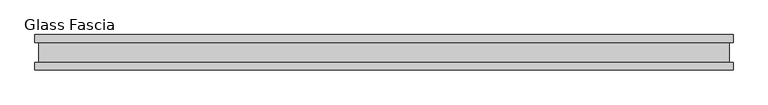
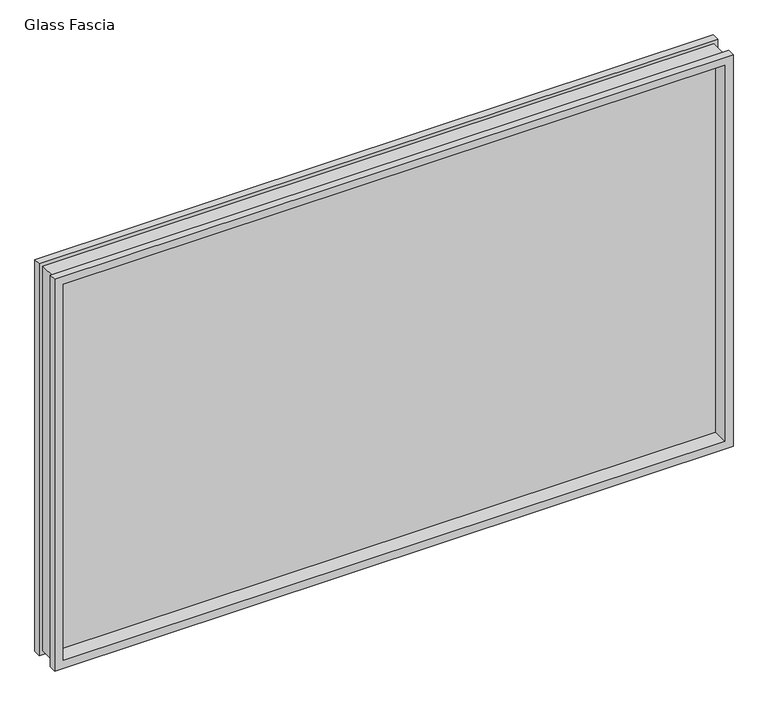
"""IFC4 building model written with IfcOpenShell, lengths in millimetres: proxy geometry, Glass Fascia."""

import ifcopenshell
import ifcopenshell.guid

model = None  # the IFC model being written
_history = None  # IfcOwnerHistory: only IFC2X3 demands one
_inside = {}  # id of a spatial element -> (the spatial element, [elements in it])
_under = {}  # id of a project, library or spatial element -> (it, [spatial elements below it])
_declared = {}  # id of a project -> (the project, [libraries it declares])
_typed = {}  # id of a type object -> (the type object, [elements of that type])
_made_of = {}  # id of a material, layer set ... -> (it, [elements and type objects made of it])


def new_model(schema):
    """Start an empty IFC model of exactly this schema.

    Asked for "IFC4X3", IfcOpenShell would pick the latest addendum, in which some entities
    have other attributes; the version numbers below select the first issue.
    IFC2X3 requires an IfcOwnerHistory on every rooted entity: one is made here for all.
    """
    global model, _history
    if schema == "IFC4X3":
        model = ifcopenshell.file(schema_version=(4, 3, 0, 0))
    else:
        model = ifcopenshell.file(schema=schema)
    _inside.clear()
    _under.clear()
    _declared.clear()
    _typed.clear()
    _made_of.clear()
    _history = None
    if model.schema == "IFC2X3":
        org = make("IfcOrganization", Name="unknown")
        user = make(
            "IfcPersonAndOrganization",
            ThePerson=make("IfcPerson", FamilyName="unknown"),
            TheOrganization=org,
        )
        app = make(
            "IfcApplication",
            ApplicationDeveloper=org,
            Version="unknown",
            ApplicationFullName="unknown",
            ApplicationIdentifier="unknown",
        )
        _history = make(
            "IfcOwnerHistory",
            OwningUser=user,
            OwningApplication=app,
            ChangeAction="ADDED",
            CreationDate=0,
        )
    return model


def make(cls, **values):
    """One entity of the class cls with the attributes given. An attribute that is None is left unset."""
    return model.create_entity(
        cls, **{name: value for name, value in values.items() if value is not None}
    )


def rooted(cls, **values):
    """An entity with a GlobalId (a new one), such as an element, a storey or a relation."""
    return make(cls, GlobalId=ifcopenshell.guid.new(), OwnerHistory=_history, **values)


def si_unit(unit_type, name, prefix=None):
    """IfcSIUnit, for example si_unit("LENGTHUNIT", "METRE", prefix="MILLI")."""
    return make("IfcSIUnit", UnitType=unit_type, Prefix=prefix, Name=name)


def assignment(units):
    """IfcUnitAssignment: the units of a project."""
    return None if units is None else make("IfcUnitAssignment", Units=units)


def point(xyz):
    """IfcCartesianPoint."""
    return None if xyz is None else make("IfcCartesianPoint", Coordinates=xyz)


def direction(xyz):
    """IfcDirection."""
    return None if xyz is None else make("IfcDirection", DirectionRatios=xyz)


def frame(location, z_axis=None, x_axis=None):
    """IfcAxis2Placement3D, a coordinate frame: its origin and axes. An axis left out is left unset."""
    return make(
        "IfcAxis2Placement3D",
        Location=point(location),
        Axis=direction(z_axis),
        RefDirection=direction(x_axis),
    )


def origin():
    """The frame at (0, 0, 0) with its axes left unset."""
    return frame((0.0, 0.0, 0.0))


def place(relative_to, where):
    """IfcLocalPlacement: puts the frame where relative to a parent placement (None: the world)."""
    return make(
        "IfcLocalPlacement", PlacementRelTo=relative_to, RelativePlacement=where
    )


def context(
    kind, dimensions, precision=None, world=None, true_north=None, identifier=None
):
    """IfcGeometricRepresentationContext, for example the 3D "Model" context."""
    return make(
        "IfcGeometricRepresentationContext",
        ContextIdentifier=identifier,
        ContextType=kind,
        CoordinateSpaceDimension=dimensions,
        Precision=precision,
        WorldCoordinateSystem=world,
        TrueNorth=true_north,
    )


def project(units=None, contexts=None):
    """IfcProject with its units and contexts."""
    return rooted(
        "IfcProject",
        Name="project",
        RepresentationContexts=contexts,
        UnitsInContext=assignment(units),
    )


def spatial(cls, under=None, at=None, **own):
    """A site, building, storey or space (cls), placed at a placement, below another one or the project."""
    s = rooted(cls, ObjectPlacement=at, **own)
    if under is not None:
        _under.setdefault(under.id(), (under, []))[1].append(s)
    return s


def polyline(points):
    """IfcPolyline through the points."""
    return make("IfcPolyline", Points=[point(p) for p in points])


def outline(outer, holes=None, kind="AREA"):
    """IfcArbitraryClosedProfileDef: a profile drawn as a closed curve; with holes, ...WithVoids."""
    if holes is None:
        return make("IfcArbitraryClosedProfileDef", ProfileType=kind, OuterCurve=outer)
    return make(
        "IfcArbitraryProfileDefWithVoids",
        ProfileType=kind,
        OuterCurve=outer,
        InnerCurves=holes,
    )


def extrude(swept, where, along, depth):
    """IfcExtrudedAreaSolid: the profile swept, set in the frame where, extruded along a direction by depth."""
    return make(
        "IfcExtrudedAreaSolid",
        SweptArea=swept,
        Position=where,
        ExtrudedDirection=direction(along),
        Depth=depth,
    )


def faces_of(points, faces, orient=None, outer=None):
    """IfcFace entities. A face is a list of loops; a loop is a list of indices into points, from 0.

    orient and outer hold one flag for each loop. By default every Orientation is true, the
    first loop of a face is its IfcFaceOuterBound and the others are IfcFaceBound.
    """
    made = []
    for i, loops in enumerate(faces):
        bounds = []
        for j, loop in enumerate(loops):
            is_outer = j == 0 if outer is None else outer[i][j]
            bounds.append(
                make(
                    "IfcFaceOuterBound" if is_outer else "IfcFaceBound",
                    Bound=make("IfcPolyLoop", Polygon=[points[k] for k in loop]),
                    Orientation=True if orient is None else orient[i][j],
                )
            )
        made.append(make("IfcFace", Bounds=bounds))
    return made


def faceted_brep(points, faces, orient=None, outer=None, voids=None):
    """IfcFacetedBrep: a solid bounded by flat faces; with voids (closed shells), ...WithVoids."""
    shared = [point(p) for p in points]
    hull = make("IfcClosedShell", CfsFaces=faces_of(shared, faces, orient, outer))
    if voids is None:
        return make("IfcFacetedBrep", Outer=hull)
    return make(
        "IfcFacetedBrepWithVoids",
        Outer=hull,
        Voids=[
            make(cls, CfsFaces=faces_of(shared, fs, o, b)) for cls, fs, o, b in voids
        ],
    )


def shape(context_of_items, identifier, shape_type, items):
    """IfcShapeRepresentation: the items that make up one representation, for example the "Body"."""
    return make(
        "IfcShapeRepresentation",
        ContextOfItems=context_of_items,
        RepresentationIdentifier=identifier,
        RepresentationType=shape_type,
        Items=items,
    )


def source(mapping_origin, context_of_items, identifier, shape_type, items):
    """IfcRepresentationMap: a shape defined once, which mapped items show again and again."""
    return make(
        "IfcRepresentationMap",
        MappingOrigin=mapping_origin,
        MappedRepresentation=shape(context_of_items, identifier, shape_type, items),
    )


def transform(
    local_origin,
    x_axis=None,
    y_axis=None,
    z_axis=None,
    scale=None,
    scale2=None,
    scale3=None,
    uniform=True,
):
    """IfcCartesianTransformationOperator3D, or its non-uniform kind. x_axis, y_axis, z_axis: its Axis1, 2, 3."""
    if uniform:
        return make(
            "IfcCartesianTransformationOperator3D",
            Axis1=direction(x_axis),
            Axis2=direction(y_axis),
            LocalOrigin=point(local_origin),
            Scale=scale,
            Axis3=direction(z_axis),
        )
    return make(
        "IfcCartesianTransformationOperator3DnonUniform",
        Axis1=direction(x_axis),
        Axis2=direction(y_axis),
        LocalOrigin=point(local_origin),
        Scale=scale,
        Axis3=direction(z_axis),
        Scale2=scale2,
        Scale3=scale3,
    )


def mapped(mapping_source, mapping_target):
    """IfcMappedItem: shows the shape of a source again, moved by a transform."""
    return make(
        "IfcMappedItem", MappingSource=mapping_source, MappingTarget=mapping_target
    )


def made_of(thing, what):
    """Note that an element or type object is made of a material, layer set ...; save() writes the relation."""
    if what is not None:
        _made_of.setdefault(what.id(), (what, []))[1].append(thing)
    return thing


def element(
    cls,
    number,
    at=None,
    inside=None,
    cuts=None,
    type_object=None,
    material=None,
    context=None,
    identifier="Body",
    shape_type=None,
    held_by="IfcProductDefinitionShape",
    body=None,
    shapes=None,
    **own,
):
    """One element of the class cls, such as IfcWall. Its Tag is "e" and its number.

    at: its placement. inside: the storey or other place that contains it. cuts: it is an
    opening in that element (IfcRelVoidsElement). A single representation is given by context,
    identifier, shape_type and body (its items); several are given by shapes. held_by: the class
    of the entity that holds the representations. save() writes the other relations.
    """
    e = rooted(cls, Tag="e%d" % number, ObjectPlacement=at, **own)
    if body is not None:
        shapes = [shape(context, identifier, shape_type, body)]
    if shapes is not None:
        e.Representation = make(held_by, Representations=shapes)
    if inside is not None:
        _inside.setdefault(inside.id(), (inside, []))[1].append(e)
    if cuts is not None:
        rooted(
            "IfcRelVoidsElement", RelatingBuildingElement=cuts, RelatedOpeningElement=e
        )
    if type_object is not None:
        _typed.setdefault(type_object.id(), (type_object, []))[1].append(e)
    return made_of(e, material)


def aggregate(whole, parts):
    """IfcRelAggregates: a whole, such as a stair, and the parts it consists of."""
    return rooted("IfcRelAggregates", RelatingObject=whole, RelatedObjects=parts)


def save(model, path):
    """Write the relations noted so far, then the file.

    IfcRelAggregates (storeys below a building ...), IfcRelContainedInSpatialStructure (elements
    in a storey), IfcRelDefinesByType, IfcRelAssociatesMaterial and IfcRelDeclares: one each for
    every whole, place, type object, material and project.
    """
    for whole, parts in _under.values():
        aggregate(whole, parts)
    for where, things in _inside.values():
        rooted(
            "IfcRelContainedInSpatialStructure",
            RelatedElements=things,
            RelatingStructure=where,
        )
    for kind, things in _typed.values():
        rooted("IfcRelDefinesByType", RelatedObjects=things, RelatingType=kind)
    for what, things in _made_of.values():
        rooted("IfcRelAssociatesMaterial", RelatedObjects=things, RelatingMaterial=what)
    for by, libraries in _declared.values():
        rooted("IfcRelDeclares", RelatingContext=by, RelatedDefinitions=libraries)
    model.write(path)


def glass_fascia_22911ecb(model_context):
    return source(origin(), model_context, "Body", "SolidModel", [
        faceted_brep([(978.7046, -5.0827449, 1201.5625243), (978.7046, 5.0827449, 1201.5625243), (978.7046, 5.0827449, 17.6374757), (978.7046, -5.0827449, 17.6374757), (993.1670757, -28.8801202, 1216.025), (993.1670757, -50.0558594, 1216.025), (993.1670757, -50.0558594, 3.175), (993.1670757, -28.8801202, 3.175), (982.3420758, 28.2698798, 1205.2000001), (982.3420758, -28.8801202, 1205.2000001), (982.3420758, -28.8801202, 13.9999999), (982.3420758, 28.2698798, 13.9999999), (993.1670757, 50.0558594, 1216.025), (993.1670757, 28.2698798, 1216.025), (993.1670757, 28.2698798, 3.175), (993.1670757, 50.0558594, 3.175), (-978.7046, 5.0827449, 17.6374757), (-978.7046, -5.0827449, 17.6374757), (-993.1670757, -50.0558594, 3.175), (-993.1670757, -28.8801202, 3.175), (-982.3420758, -28.8801202, 13.9999999), (-982.3420758, 28.2698798, 13.9999999), (-993.1670757, 28.2698798, 3.175), (-993.1670757, 50.0558594, 3.175), (-978.7046, 5.0827449, 1201.5625243), (-978.7046, -5.0827449, 1201.5625243), (-993.1670757, -50.0558594, 1216.025), (-993.1670757, -28.8801202, 1216.025), (-982.3420758, -28.8801202, 1205.2000001), (-982.3420758, 28.2698798, 1205.2000001), (-993.1670757, 28.2698798, 1216.025), (-993.1670757, 50.0558594, 1216.025), (968.2144089, 50.0558594, 1191.0723332), (-968.2144089, 50.0558594, 1191.0723332), (-968.2144089, 50.0558594, 28.1276668), (968.2144089, 50.0558594, 28.1276668), (968.2144089, 5.0827449, 28.1276668), (-968.2144089, 5.0827449, 28.1276668), (-968.2144089, 5.0827449, 1191.0723332), (968.2144089, 5.0827449, 1191.0723332), (968.2144089, -5.0827449, 1191.0723332), (-968.2144089, -5.0827449, 1191.0723332), (-968.2144089, -5.0827449, 28.1276668), (968.2144089, -5.0827449, 28.1276668), (968.2144089, -50.0558594, 28.1276668), (-968.2144089, -50.0558594, 28.1276668), (-968.2144089, -50.0558594, 1191.0723332), (968.2144089, -50.0558594, 1191.0723332)], [[[0, 1, 2, 3]], [[4, 5, 6, 7]], [[8, 9, 10, 11]], [[12, 13, 14, 15]], [[3, 2, 16, 17]], [[7, 6, 18, 19]], [[11, 10, 20, 21]], [[15, 14, 22, 23]], [[17, 16, 24, 25]], [[19, 18, 26, 27]], [[21, 20, 28, 29]], [[23, 22, 30, 31]], [[15, 23, 31, 12], [32, 33, 34, 35]], [[1, 24, 16, 2], [36, 37, 38, 39]], [[25, 24, 1, 0]], [[3, 17, 25, 0], [40, 41, 42, 43]], [[5, 26, 18, 6], [44, 45, 46, 47]], [[27, 26, 5, 4]], [[7, 19, 27, 4], [9, 28, 20, 10]], [[29, 28, 9, 8]], [[13, 30, 22, 14], [11, 21, 29, 8]], [[31, 30, 13, 12]], [[39, 32, 35, 36]], [[47, 40, 43, 44]], [[36, 35, 34, 37]], [[44, 43, 42, 45]], [[37, 34, 33, 38]], [[45, 42, 41, 46]], [[38, 33, 32, 39]], [[46, 41, 40, 47]]]),
        extrude(outline(polyline([(978.7046, 2.9765625), (978.7046, -2.9765625), (-978.7046, -2.9765625), (-978.7046, 2.9765625), (978.7046, 2.9765625)])), frame((0.0, 0.0, 17.6374757), z_axis=(0.0, 0.0, 1.0), x_axis=(1.0, 0.0, 0.0)), (0.0, 0.0, 1.0), 1183.9250485),
    ])


if __name__ == "__main__":
    model = new_model("IFC4")
    model_context = context("Model", 3, world=origin())
    ifc_project = project(units=[si_unit("LENGTHUNIT", "METRE", prefix="MILLI")], contexts=[model_context])
    site = spatial("IfcSite", under=ifc_project)
    building = spatial("IfcBuilding", under=site)
    placement = place(None, origin())
    glass_fascia_shape = glass_fascia_22911ecb(model_context)
    element("IfcBuildingElementProxy", 1, Name="Glass Fascia", ObjectType="Glass Fascia", at=placement, inside=building, context=model_context, shape_type="MappedRepresentation", body=[
        mapped(glass_fascia_shape, transform((0.0, 0.0, 0.0), x_axis=(1.0, 0.0, 0.0), y_axis=(0.0, 1.0, 0.0), z_axis=(0.0, 0.0, 1.0))),
    ])
    save(model, "model.ifc")
